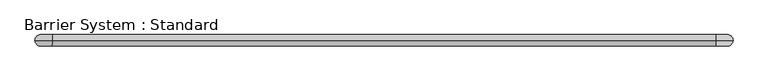
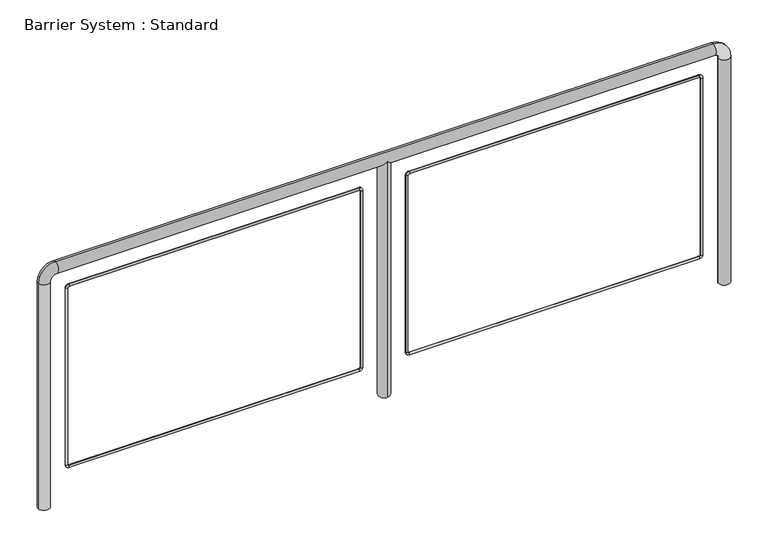
"""IFC4 building model written with IfcOpenShell, lengths in millimetres: proxy geometry, Barrier System : Standard."""

from ifc_helpers import new_model, si_unit, point, frame, origin, place, context, project, spatial, circle_curve, ellipse_curve, trimmed, source, transform, mapped, element, save
from ifc_brep_helpers import plane_surface, cylinder_surface, revolved_surface, advanced_brep


def barrier_system_standard_8f309a40(model_context):
    return source(origin(), model_context, "Body", "AdvancedBrep", [
        advanced_brep(
        [(25.0, 0.0, 0.0), (-25.0, 0.0, 0.0), (-25.0, 0.0, 1050.0), (25.0, 0.0, 1050.0), (50.0, 0.0, 1125.0), (50.0, 0.0, 1075.0), (2950.0, 0.0, 1125.0), (2950.0, 0.0, 1075.0), (1525.0, 0.0, 1075.0), (1500.0, 25.0, 1100.0), (1475.0, 0.0, 1075.0), (1500.0, -25.0, 1100.0), (3025.0, 0.0, 1050.0), (2975.0, 0.0, 1050.0), (2975.0, 0.0, 0.0), (3025.0, 0.0, 0.0), (1500.0, -25.0, 0.0), (1500.0, 25.0, 0.0)],
        [
            (0, 1, circle_curve(frame((0.0, 0.0, 0.0), z_axis=(0.0, 0.0, -1.0), x_axis=(-1.0, 0.0, 0.0)), 25.0)),
            (1, 0, circle_curve(frame((0.0, 0.0, 0.0), z_axis=(0.0, 0.0, -1.0), x_axis=(-1.0, 0.0, 0.0)), 25.0)),
            (1, 2),
            (2, 3, circle_curve(frame((0.0, 0.0, 1050.0), z_axis=(0.0, 0.0, -1.0), x_axis=(-1.0, 0.0, 0.0)), 25.0)),
            (3, 0),
            (3, 2, circle_curve(frame((0.0, 0.0, 1050.0), z_axis=(0.0, 0.0, -1.0), x_axis=(-1.0, 0.0, 0.0)), 25.0)),
            (2, 4, circle_curve(frame((50.0, 0.0, 1050.0), z_axis=(0.0, 1.0, 0.0), x_axis=(-1.0, 0.0, 0.0)), 75.0)),
            (4, 5, circle_curve(frame((50.0, 0.0, 1100.0), z_axis=(-1.0, 0.0, 0.0), x_axis=(0.0, 0.0, 1.0)), 25.0)),
            (5, 3, circle_curve(frame((50.0, 0.0, 1050.0), z_axis=(0.0, -1.0, 0.0), x_axis=(-1.0, 0.0, 0.0)), 25.0)),
            (5, 4, circle_curve(frame((50.0, 0.0, 1100.0), z_axis=(-1.0, 0.0, 0.0), x_axis=(0.0, 0.0, 1.0)), 25.0)),
            (4, 6),
            (6, 7, circle_curve(frame((2950.0, 0.0, 1100.0), z_axis=(-1.0, 0.0, 0.0), x_axis=(0.0, 0.0, 1.0)), 25.0)),
            (7, 8),
            (8, 9, ellipse_curve(frame((1500.0, 0.0, 1100.0), z_axis=(0.7071067811865475, 0.0, 0.7071067811865475), x_axis=(-0.7071067811865476, 0.0, 0.7071067811865474)), 35.3553391, 25.0)),
            (9, 10, ellipse_curve(frame((1500.0, 0.0, 1100.0), z_axis=(-0.7071067811865475, 0.0, 0.7071067811865475), x_axis=(-0.7071067811865476, 0.0, -0.7071067811865474)), 35.3553391, 25.0)),
            (10, 5),
            (10, 11, ellipse_curve(frame((1500.0, 0.0, 1100.0), z_axis=(-0.7071067811865475, 0.0, 0.7071067811865475), x_axis=(-0.7071067811865476, 0.0, -0.7071067811865474)), 35.3553391, 25.0)),
            (11, 8, ellipse_curve(frame((1500.0, 0.0, 1100.0), z_axis=(0.7071067811865475, 0.0, 0.7071067811865475), x_axis=(-0.7071067811865476, 0.0, 0.7071067811865474)), 35.3553391, 25.0)),
            (7, 6, circle_curve(frame((2950.0, 0.0, 1100.0), z_axis=(-1.0, 0.0, 0.0), x_axis=(0.0, 0.0, 1.0)), 25.0)),
            (6, 12, circle_curve(frame((2950.0, 0.0, 1050.0), z_axis=(0.0, 1.0, 0.0), x_axis=(0.0, 0.0, 1.0)), 75.0)),
            (12, 13, circle_curve(frame((3000.0, 0.0, 1050.0), z_axis=(0.0, 0.0, 1.0), x_axis=(1.0, 0.0, 0.0)), 25.0)),
            (13, 7, circle_curve(frame((2950.0, 0.0, 1050.0), z_axis=(0.0, -1.0, 0.0), x_axis=(0.0, 0.0, 1.0)), 25.0)),
            (13, 12, circle_curve(frame((3000.0, 0.0, 1050.0), z_axis=(0.0, 0.0, 1.0), x_axis=(1.0, 0.0, 0.0)), 25.0)),
            (14, 15, circle_curve(frame((3000.0, 0.0, 0.0), z_axis=(0.0, 0.0, -1.0), x_axis=(1.0, 0.0, 0.0)), 25.0)),
            (15, 14, circle_curve(frame((3000.0, 0.0, 0.0), z_axis=(0.0, 0.0, -1.0), x_axis=(1.0, 0.0, 0.0)), 25.0)),
            (12, 15),
            (14, 13),
            (16, 17, circle_curve(frame((1500.0, 0.0, 0.0), z_axis=(0.0, 0.0, -1.0), x_axis=(0.0, 1.0, 0.0)), 25.0)),
            (17, 16, circle_curve(frame((1500.0, 0.0, 0.0), z_axis=(0.0, 0.0, -1.0), x_axis=(0.0, 1.0, 0.0)), 25.0)),
            (16, 11),
            (9, 17),
        ],
        [
            plane_surface(frame((0.0, 0.0, 0.0), z_axis=(0.0, 0.0, -1.0), x_axis=(0.0, 1.0, 0.0))),
            cylinder_surface(frame((0.0, 0.0, 0.0), z_axis=(0.0, 0.0, -1.0), x_axis=(-1.0, 0.0, 0.0)), 25.0),
            revolved_surface(trimmed(ellipse_curve(frame((0.0, 0.0, 1050.0), z_axis=(0.0, 0.0, 1.0), x_axis=(-1.0, 0.0, 0.0)), 25.0, 25.0), [point((25.0, 0.0, 1050.0))], [point((-25.0, 0.0, 1050.0))], True, "CARTESIAN"), (50.0, 0.0, 1050.0), (0.0, -1.0, 0.0)),
            revolved_surface(trimmed(ellipse_curve(frame((0.0, 0.0, 1050.0), z_axis=(0.0, 0.0, 1.0), x_axis=(-1.0, 0.0, 0.0)), 25.0, 25.0), [point((-25.0, 0.0, 1050.0))], [point((25.0, 0.0, 1050.0))], True, "CARTESIAN"), (50.0, 0.0, 1050.0), (0.0, -1.0, 0.0)),
            cylinder_surface(frame((50.0, 0.0, 1100.0), z_axis=(-1.0, 0.0, 0.0), x_axis=(0.0, 0.0, 1.0)), 25.0),
            revolved_surface(trimmed(ellipse_curve(frame((2950.0, 0.0, 1100.0), z_axis=(1.0, 0.0, 0.0), x_axis=(0.0, 0.0, 1.0)), 25.0, 25.0), [point((2950.0, 0.0, 1075.0))], [point((2950.0, 0.0, 1125.0))], True, "CARTESIAN"), (2950.0, 0.0, 1050.0), (0.0, -1.0, 0.0)),
            revolved_surface(trimmed(ellipse_curve(frame((2950.0, 0.0, 1100.0), z_axis=(1.0, 0.0, 0.0), x_axis=(0.0, 0.0, 1.0)), 25.0, 25.0), [point((2950.0, 0.0, 1125.0))], [point((2950.0, 0.0, 1075.0))], True, "CARTESIAN"), (2950.0, 0.0, 1050.0), (0.0, -1.0, 0.0)),
            plane_surface(frame((3000.0, 0.0, 0.0), z_axis=(0.0, 0.0, -1.0), x_axis=(0.0, 1.0, 0.0))),
            cylinder_surface(frame((3000.0, 0.0, 1050.0), z_axis=(0.0, 0.0, 1.0), x_axis=(1.0, 0.0, 0.0)), 25.0),
            plane_surface(frame((1500.0, 0.0, 0.0), z_axis=(0.0, 0.0, -1.0), x_axis=(0.0, 1.0, 0.0))),
            cylinder_surface(frame((1500.0, 0.0, 1100.0), z_axis=(0.0, 0.0, 1.0), x_axis=(0.0, 1.0, 0.0)), 25.0),
        ],
        [
            (0, [[1, 2]]),
            (1, [[3, 4, 5, -2]]),
            (1, [[-5, 6, -3, -1]]),
            (2, [[7, 8, 9, -4]]),
            (3, [[-9, 10, -7, -6]]),
            (4, [[11, 12, 13, 14, 15, 16, -8]]),
            (4, [[-16, 17, 18, -13, 19, -11, -10]]),
            (5, [[20, 21, 22, -12]]),
            (6, [[-22, 23, -20, -19]]),
            (7, [[24, 25]]),
            (8, [[26, -24, 27, -21]]),
            (8, [[-27, -25, -26, -23]]),
            (9, [[28, 29]]),
            (10, [[30, -17, -15, 31, -28]]),
            (10, [[-31, -14, -18, -30, -29]]),
        ],
    ),
        advanced_brep(
        [(2905.0, 0.0, 985.0), (2895.0, 0.0, 985.0), (2890.0, 0.0, 990.0), (2890.0, 0.0, 1000.0), (2905.0, 0.0, 160.0), (2895.0, 0.0, 160.0), (2890.0, 0.0, 145.0), (2890.0, 0.0, 155.0), (1610.0, 0.0, 145.0), (1610.0, 0.0, 155.0), (1595.0, 0.0, 160.0), (1605.0, 0.0, 160.0), (1595.0, 0.0, 985.0), (1605.0, 0.0, 985.0), (1610.0, 0.0, 1000.0), (1610.0, 0.0, 990.0)],
        [
            (0, 1, circle_curve(frame((2900.0, 0.0, 985.0), z_axis=(0.0, 0.0, 1.0), x_axis=(1.0, 0.0, 0.0)), 5.0)),
            (1, 2, circle_curve(frame((2890.0, 0.0, 985.0), z_axis=(0.0, -1.0, 0.0), x_axis=(0.0, 0.0, 1.0)), 5.0)),
            (2, 3, circle_curve(frame((2890.0, 0.0, 995.0), z_axis=(1.0, 0.0, 0.0), x_axis=(0.0, 0.0, 1.0)), 5.0)),
            (3, 0, circle_curve(frame((2890.0, 0.0, 985.0), z_axis=(0.0, 1.0, 0.0), x_axis=(0.0, 0.0, 1.0)), 15.0)),
            (1, 0, circle_curve(frame((2900.0, 0.0, 985.0), z_axis=(0.0, 0.0, 1.0), x_axis=(1.0, 0.0, 0.0)), 5.0)),
            (3, 2, circle_curve(frame((2890.0, 0.0, 995.0), z_axis=(1.0, 0.0, 0.0), x_axis=(0.0, 0.0, 1.0)), 5.0)),
            (0, 4),
            (4, 5, circle_curve(frame((2900.0, 0.0, 160.0), z_axis=(0.0, 0.0, 1.0), x_axis=(1.0, 0.0, 0.0)), 5.0)),
            (5, 1),
            (5, 4, circle_curve(frame((2900.0, 0.0, 160.0), z_axis=(0.0, 0.0, 1.0), x_axis=(1.0, 0.0, 0.0)), 5.0)),
            (6, 7, circle_curve(frame((2890.0, 0.0, 150.0), z_axis=(1.0, 0.0, 0.0), x_axis=(0.0, 0.0, -1.0)), 5.0)),
            (7, 5, circle_curve(frame((2890.0, 0.0, 160.0), z_axis=(0.0, -1.0, 0.0), x_axis=(1.0, 0.0, 0.0)), 5.0)),
            (4, 6, circle_curve(frame((2890.0, 0.0, 160.0), z_axis=(0.0, 1.0, 0.0), x_axis=(1.0, 0.0, 0.0)), 15.0)),
            (7, 6, circle_curve(frame((2890.0, 0.0, 150.0), z_axis=(1.0, 0.0, 0.0), x_axis=(0.0, 0.0, -1.0)), 5.0)),
            (6, 8),
            (8, 9, circle_curve(frame((1610.0, 0.0, 150.0), z_axis=(1.0, 0.0, 0.0), x_axis=(0.0, 0.0, -1.0)), 5.0)),
            (9, 7),
            (9, 8, circle_curve(frame((1610.0, 0.0, 150.0), z_axis=(1.0, 0.0, 0.0), x_axis=(0.0, 0.0, -1.0)), 5.0)),
            (10, 11, circle_curve(frame((1600.0, 0.0, 160.0), z_axis=(0.0, 0.0, -1.0), x_axis=(-1.0, 0.0, 0.0)), 5.0)),
            (11, 9, circle_curve(frame((1610.0, 0.0, 160.0), z_axis=(0.0, -1.0, 0.0), x_axis=(0.0, 0.0, -1.0)), 5.0)),
            (8, 10, circle_curve(frame((1610.0, 0.0, 160.0), z_axis=(0.0, 1.0, 0.0), x_axis=(0.0, 0.0, -1.0)), 15.0)),
            (11, 10, circle_curve(frame((1600.0, 0.0, 160.0), z_axis=(0.0, 0.0, -1.0), x_axis=(-1.0, 0.0, 0.0)), 5.0)),
            (10, 12),
            (12, 13, circle_curve(frame((1600.0, 0.0, 985.0), z_axis=(0.0, 0.0, -1.0), x_axis=(-1.0, 0.0, 0.0)), 5.0)),
            (13, 11),
            (13, 12, circle_curve(frame((1600.0, 0.0, 985.0), z_axis=(0.0, 0.0, -1.0), x_axis=(-1.0, 0.0, 0.0)), 5.0)),
            (14, 15, circle_curve(frame((1610.0, 0.0, 995.0), z_axis=(-1.0, 0.0, 0.0), x_axis=(0.0, 0.0, 1.0)), 5.0)),
            (15, 13, circle_curve(frame((1610.0, 0.0, 985.0), z_axis=(0.0, -1.0, 0.0), x_axis=(-1.0, 0.0, 0.0)), 5.0)),
            (12, 14, circle_curve(frame((1610.0, 0.0, 985.0), z_axis=(0.0, 1.0, 0.0), x_axis=(-1.0, 0.0, 0.0)), 15.0)),
            (15, 14, circle_curve(frame((1610.0, 0.0, 995.0), z_axis=(-1.0, 0.0, 0.0), x_axis=(0.0, 0.0, 1.0)), 5.0)),
            (14, 3),
            (2, 15),
        ],
        [
            revolved_surface(trimmed(ellipse_curve(frame((2890.0, 0.0, 995.0), z_axis=(1.0, 0.0, 0.0), x_axis=(0.0, 0.0, 1.0)), 5.0, 5.0), [point((2890.0, 0.0, 990.0))], [point((2890.0, 0.0, 1000.0))], True, "CARTESIAN"), (2890.0, 0.0, 985.0), (0.0, -1.0, 0.0)),
            revolved_surface(trimmed(ellipse_curve(frame((2890.0, 0.0, 995.0), z_axis=(1.0, 0.0, 0.0), x_axis=(0.0, 0.0, 1.0)), 5.0, 5.0), [point((2890.0, 0.0, 1000.0))], [point((2890.0, 0.0, 990.0))], True, "CARTESIAN"), (2890.0, 0.0, 985.0), (0.0, -1.0, 0.0)),
            cylinder_surface(frame((2900.0, 0.0, 985.0), z_axis=(0.0, 0.0, 1.0), x_axis=(1.0, 0.0, 0.0)), 5.0),
            revolved_surface(trimmed(ellipse_curve(frame((2900.0, 0.0, 160.0), z_axis=(0.0, 0.0, -1.0), x_axis=(1.0, 0.0, 0.0)), 5.0, 5.0), [point((2895.0, 0.0, 160.0))], [point((2905.0, 0.0, 160.0))], True, "CARTESIAN"), (2890.0, 0.0, 160.0), (0.0, -1.0, 0.0)),
            revolved_surface(trimmed(ellipse_curve(frame((2900.0, 0.0, 160.0), z_axis=(0.0, 0.0, -1.0), x_axis=(1.0, 0.0, 0.0)), 5.0, 5.0), [point((2905.0, 0.0, 160.0))], [point((2895.0, 0.0, 160.0))], True, "CARTESIAN"), (2890.0, 0.0, 160.0), (0.0, -1.0, 0.0)),
            cylinder_surface(frame((2890.0, 0.0, 150.0), z_axis=(1.0, 0.0, 0.0), x_axis=(0.0, 0.0, -1.0)), 5.0),
            revolved_surface(trimmed(ellipse_curve(frame((1610.0, 0.0, 150.0), z_axis=(-1.0, 0.0, 0.0), x_axis=(0.0, 0.0, -1.0)), 5.0, 5.0), [point((1610.0, 0.0, 155.0))], [point((1610.0, 0.0, 145.0))], True, "CARTESIAN"), (1610.0, 0.0, 160.0), (0.0, -1.0, 0.0)),
            revolved_surface(trimmed(ellipse_curve(frame((1610.0, 0.0, 150.0), z_axis=(-1.0, 0.0, 0.0), x_axis=(0.0, 0.0, -1.0)), 5.0, 5.0), [point((1610.0, 0.0, 145.0))], [point((1610.0, 0.0, 155.0))], True, "CARTESIAN"), (1610.0, 0.0, 160.0), (0.0, -1.0, 0.0)),
            cylinder_surface(frame((1600.0, 0.0, 160.0), z_axis=(0.0, 0.0, -1.0), x_axis=(-1.0, 0.0, 0.0)), 5.0),
            revolved_surface(trimmed(ellipse_curve(frame((1600.0, 0.0, 985.0), z_axis=(0.0, 0.0, 1.0), x_axis=(-1.0, 0.0, 0.0)), 5.0, 5.0), [point((1605.0, 0.0, 985.0))], [point((1595.0, 0.0, 985.0))], True, "CARTESIAN"), (1610.0, 0.0, 985.0), (0.0, -1.0, 0.0)),
            revolved_surface(trimmed(ellipse_curve(frame((1600.0, 0.0, 985.0), z_axis=(0.0, 0.0, 1.0), x_axis=(-1.0, 0.0, 0.0)), 5.0, 5.0), [point((1595.0, 0.0, 985.0))], [point((1605.0, 0.0, 985.0))], True, "CARTESIAN"), (1610.0, 0.0, 985.0), (0.0, -1.0, 0.0)),
            cylinder_surface(frame((1610.0, 0.0, 995.0), z_axis=(-1.0, 0.0, 0.0), x_axis=(0.0, 0.0, 1.0)), 5.0),
        ],
        [
            (0, [[1, 2, 3, 4]]),
            (1, [[5, -4, 6, -2]]),
            (2, [[7, 8, 9, -1]]),
            (2, [[-9, 10, -7, -5]]),
            (3, [[11, 12, -8, 13]]),
            (4, [[14, -13, -10, -12]]),
            (5, [[15, 16, 17, -11]]),
            (5, [[-17, 18, -15, -14]]),
            (6, [[19, 20, -16, 21]]),
            (7, [[22, -21, -18, -20]]),
            (8, [[23, 24, 25, -19]]),
            (8, [[-25, 26, -23, -22]]),
            (9, [[27, 28, -24, 29]]),
            (10, [[30, -29, -26, -28]]),
            (11, [[31, -3, 32, -27]]),
            (11, [[-32, -6, -31, -30]]),
        ],
    ),
        advanced_brep(
        [(1405.0, 0.0, 985.0), (1395.0, 0.0, 985.0), (1390.0, 0.0, 990.0), (1390.0, 0.0, 1000.0), (1405.0, 0.0, 160.0), (1395.0, 0.0, 160.0), (1390.0, 0.0, 145.0), (1390.0, 0.0, 155.0), (110.0, 0.0, 145.0), (110.0, 0.0, 155.0), (95.0, 0.0, 160.0), (105.0, 0.0, 160.0), (95.0, 0.0, 985.0), (105.0, 0.0, 985.0), (110.0, 0.0, 1000.0), (110.0, 0.0, 990.0)],
        [
            (0, 1, circle_curve(frame((1400.0, 0.0, 985.0), z_axis=(0.0, 0.0, 1.0), x_axis=(1.0, 0.0, 0.0)), 5.0)),
            (1, 2, circle_curve(frame((1390.0, 0.0, 985.0), z_axis=(0.0, -1.0, 0.0), x_axis=(0.0, 0.0, 1.0)), 5.0)),
            (2, 3, circle_curve(frame((1390.0, 0.0, 995.0), z_axis=(1.0, 0.0, 0.0), x_axis=(0.0, 0.0, 1.0)), 5.0)),
            (3, 0, circle_curve(frame((1390.0, 0.0, 985.0), z_axis=(0.0, 1.0, 0.0), x_axis=(0.0, 0.0, 1.0)), 15.0)),
            (1, 0, circle_curve(frame((1400.0, 0.0, 985.0), z_axis=(0.0, 0.0, 1.0), x_axis=(1.0, 0.0, 0.0)), 5.0)),
            (3, 2, circle_curve(frame((1390.0, 0.0, 995.0), z_axis=(1.0, 0.0, 0.0), x_axis=(0.0, 0.0, 1.0)), 5.0)),
            (0, 4),
            (4, 5, circle_curve(frame((1400.0, 0.0, 160.0), z_axis=(0.0, 0.0, 1.0), x_axis=(1.0, 0.0, 0.0)), 5.0)),
            (5, 1),
            (5, 4, circle_curve(frame((1400.0, 0.0, 160.0), z_axis=(0.0, 0.0, 1.0), x_axis=(1.0, 0.0, 0.0)), 5.0)),
            (6, 7, circle_curve(frame((1390.0, 0.0, 150.0), z_axis=(1.0, 0.0, 0.0), x_axis=(0.0, 0.0, -1.0)), 5.0)),
            (7, 5, circle_curve(frame((1390.0, 0.0, 160.0), z_axis=(0.0, -1.0, 0.0), x_axis=(1.0, 0.0, 0.0)), 5.0)),
            (4, 6, circle_curve(frame((1390.0, 0.0, 160.0), z_axis=(0.0, 1.0, 0.0), x_axis=(1.0, 0.0, 0.0)), 15.0)),
            (7, 6, circle_curve(frame((1390.0, 0.0, 150.0), z_axis=(1.0, 0.0, 0.0), x_axis=(0.0, 0.0, -1.0)), 5.0)),
            (6, 8),
            (8, 9, circle_curve(frame((110.0, 0.0, 150.0), z_axis=(1.0, 0.0, 0.0), x_axis=(0.0, 0.0, -1.0)), 5.0)),
            (9, 7),
            (9, 8, circle_curve(frame((110.0, 0.0, 150.0), z_axis=(1.0, 0.0, 0.0), x_axis=(0.0, 0.0, -1.0)), 5.0)),
            (10, 11, circle_curve(frame((100.0, 0.0, 160.0), z_axis=(0.0, 0.0, -1.0), x_axis=(-1.0, 0.0, 0.0)), 5.0)),
            (11, 9, circle_curve(frame((110.0, 0.0, 160.0), z_axis=(0.0, -1.0, 0.0), x_axis=(0.0, 0.0, -1.0)), 5.0)),
            (8, 10, circle_curve(frame((110.0, 0.0, 160.0), z_axis=(0.0, 1.0, 0.0), x_axis=(0.0, 0.0, -1.0)), 15.0)),
            (11, 10, circle_curve(frame((100.0, 0.0, 160.0), z_axis=(0.0, 0.0, -1.0), x_axis=(-1.0, 0.0, 0.0)), 5.0)),
            (10, 12),
            (12, 13, circle_curve(frame((100.0, 0.0, 985.0), z_axis=(0.0, 0.0, -1.0), x_axis=(-1.0, 0.0, 0.0)), 5.0)),
            (13, 11),
            (13, 12, circle_curve(frame((100.0, 0.0, 985.0), z_axis=(0.0, 0.0, -1.0), x_axis=(-1.0, 0.0, 0.0)), 5.0)),
            (14, 15, circle_curve(frame((110.0, 0.0, 995.0), z_axis=(-1.0, 0.0, 0.0), x_axis=(0.0, 0.0, 1.0)), 5.0)),
            (15, 13, circle_curve(frame((110.0, 0.0, 985.0), z_axis=(0.0, -1.0, 0.0), x_axis=(-1.0, 0.0, 0.0)), 5.0)),
            (12, 14, circle_curve(frame((110.0, 0.0, 985.0), z_axis=(0.0, 1.0, 0.0), x_axis=(-1.0, 0.0, 0.0)), 15.0)),
            (15, 14, circle_curve(frame((110.0, 0.0, 995.0), z_axis=(-1.0, 0.0, 0.0), x_axis=(0.0, 0.0, 1.0)), 5.0)),
            (14, 3),
            (2, 15),
        ],
        [
            revolved_surface(trimmed(ellipse_curve(frame((1390.0, 0.0, 995.0), z_axis=(1.0, 0.0, 0.0), x_axis=(0.0, 0.0, 1.0)), 5.0, 5.0), [point((1390.0, 0.0, 990.0))], [point((1390.0, 0.0, 1000.0))], True, "CARTESIAN"), (1390.0, 0.0, 985.0), (0.0, -1.0, 0.0)),
            revolved_surface(trimmed(ellipse_curve(frame((1390.0, 0.0, 995.0), z_axis=(1.0, 0.0, 0.0), x_axis=(0.0, 0.0, 1.0)), 5.0, 5.0), [point((1390.0, 0.0, 1000.0))], [point((1390.0, 0.0, 990.0))], True, "CARTESIAN"), (1390.0, 0.0, 985.0), (0.0, -1.0, 0.0)),
            cylinder_surface(frame((1400.0, 0.0, 985.0), z_axis=(0.0, 0.0, 1.0), x_axis=(1.0, 0.0, 0.0)), 5.0),
            revolved_surface(trimmed(ellipse_curve(frame((1400.0, 0.0, 160.0), z_axis=(0.0, 0.0, -1.0), x_axis=(1.0, 0.0, 0.0)), 5.0, 5.0), [point((1395.0, 0.0, 160.0))], [point((1405.0, 0.0, 160.0))], True, "CARTESIAN"), (1390.0, 0.0, 160.0), (0.0, -1.0, 0.0)),
            revolved_surface(trimmed(ellipse_curve(frame((1400.0, 0.0, 160.0), z_axis=(0.0, 0.0, -1.0), x_axis=(1.0, 0.0, 0.0)), 5.0, 5.0), [point((1405.0, 0.0, 160.0))], [point((1395.0, 0.0, 160.0))], True, "CARTESIAN"), (1390.0, 0.0, 160.0), (0.0, -1.0, 0.0)),
            cylinder_surface(frame((1390.0, 0.0, 150.0), z_axis=(1.0, 0.0, 0.0), x_axis=(0.0, 0.0, -1.0)), 5.0),
            revolved_surface(trimmed(ellipse_curve(frame((110.0, 0.0, 150.0), z_axis=(-1.0, 0.0, 0.0), x_axis=(0.0, 0.0, -1.0)), 5.0, 5.0), [point((110.0, 0.0, 155.0))], [point((110.0, 0.0, 145.0))], True, "CARTESIAN"), (110.0, 0.0, 160.0), (0.0, -1.0, 0.0)),
            revolved_surface(trimmed(ellipse_curve(frame((110.0, 0.0, 150.0), z_axis=(-1.0, 0.0, 0.0), x_axis=(0.0, 0.0, -1.0)), 5.0, 5.0), [point((110.0, 0.0, 145.0))], [point((110.0, 0.0, 155.0))], True, "CARTESIAN"), (110.0, 0.0, 160.0), (0.0, -1.0, 0.0)),
            cylinder_surface(frame((100.0, 0.0, 160.0), z_axis=(0.0, 0.0, -1.0), x_axis=(-1.0, 0.0, 0.0)), 5.0),
            revolved_surface(trimmed(ellipse_curve(frame((100.0, 0.0, 985.0), z_axis=(0.0, 0.0, 1.0), x_axis=(-1.0, 0.0, 0.0)), 5.0, 5.0), [point((105.0, 0.0, 985.0))], [point((95.0, 0.0, 985.0))], True, "CARTESIAN"), (110.0, 0.0, 985.0), (0.0, -1.0, 0.0)),
            revolved_surface(trimmed(ellipse_curve(frame((100.0, 0.0, 985.0), z_axis=(0.0, 0.0, 1.0), x_axis=(-1.0, 0.0, 0.0)), 5.0, 5.0), [point((95.0, 0.0, 985.0))], [point((105.0, 0.0, 985.0))], True, "CARTESIAN"), (110.0, 0.0, 985.0), (0.0, -1.0, 0.0)),
            cylinder_surface(frame((110.0, 0.0, 995.0), z_axis=(-1.0, 0.0, 0.0), x_axis=(0.0, 0.0, 1.0)), 5.0),
        ],
        [
            (0, [[1, 2, 3, 4]]),
            (1, [[5, -4, 6, -2]]),
            (2, [[7, 8, 9, -1]]),
            (2, [[-9, 10, -7, -5]]),
            (3, [[11, 12, -8, 13]]),
            (4, [[14, -13, -10, -12]]),
            (5, [[15, 16, 17, -11]]),
            (5, [[-17, 18, -15, -14]]),
            (6, [[19, 20, -16, 21]]),
            (7, [[22, -21, -18, -20]]),
            (8, [[23, 24, 25, -19]]),
            (8, [[-25, 26, -23, -22]]),
            (9, [[27, 28, -24, 29]]),
            (10, [[30, -29, -26, -28]]),
            (11, [[31, -3, 32, -27]]),
            (11, [[-32, -6, -31, -30]]),
        ],
    ),
    ])


if __name__ == "__main__":
    model = new_model("IFC4")
    model_context = context("Model", 3, world=origin())
    ifc_project = project(units=[si_unit("LENGTHUNIT", "METRE", prefix="MILLI")], contexts=[model_context])
    site = spatial("IfcSite", under=ifc_project)
    building = spatial("IfcBuilding", under=site)
    placement = place(None, origin())
    barrier_system_standard_shape = barrier_system_standard_8f309a40(model_context)
    element("IfcBuildingElementProxy", 1, Name="Barrier System : Standard", ObjectType="Barrier System : Standard", at=placement, inside=building, context=model_context, shape_type="MappedRepresentation", body=[
        mapped(barrier_system_standard_shape, transform((0.0, 0.0, 0.0), x_axis=(1.0, 0.0, 0.0), y_axis=(0.0, 1.0, 0.0), z_axis=(0.0, 0.0, 1.0))),
    ])
    save(model, "model.ifc")
